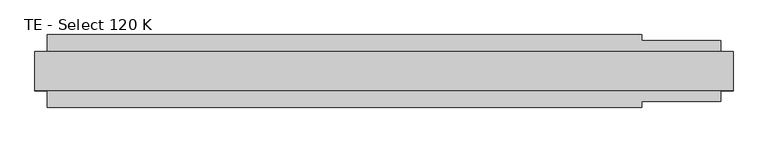
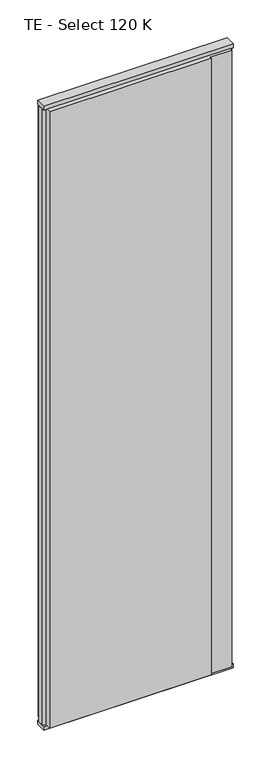
"""IFC4 building model written with IfcOpenShell, lengths in millimetres: plate geometry, TE - Select 120 K."""

from ifc_helpers import new_model, si_unit, frame, origin, origin_with_axes, place, context, project, spatial, polyline, outline, extrude, source, transform, mapped, element, save


def te_select_120_k_36ab9669(model_context):
    return source(origin(), model_context, "Body", "SweptSolid", [
        extrude(outline(polyline([(424.5833333, 60.0), (424.5833333, 50.0), (554.5833333, 50.0), (554.5833333, 22.9993165), (574.5833333, 17.6401049), (574.5833333, -17.6401049), (554.5833333, -22.9993165), (554.5833333, -50.0), (424.5833333, -50.0), (424.5833333, -60.0), (-554.5833333, -60.0), (-554.5833333, -22.9993165), (-574.5833333, -17.6401049), (-574.5833333, 17.6401049), (-554.5833333, 22.9993165), (-554.5833333, 60.0), (424.5833333, 60.0)])), frame((0.0, 0.0, 25.0), z_axis=(0.0, 0.0, 1.0), x_axis=(1.0, 0.0, 0.0)), (0.0, 0.0, 1.0), 3950.0),
        extrude(outline(polyline([(574.5833333, 32.0), (574.5833333, -32.0), (-574.5833333, -32.0), (-574.5833333, 32.0), (574.5833333, 32.0)])), origin_with_axes(), (0.0, 0.0, 1.0), 25.0),
        extrude(outline(polyline([(574.5833333, 32.0), (574.5833333, -32.0), (-574.5833333, -32.0), (-574.5833333, 32.0), (574.5833333, 32.0)])), frame((0.0, 0.0, 3975.0), z_axis=(0.0, 0.0, 1.0), x_axis=(1.0, 0.0, 0.0)), (0.0, 0.0, 1.0), 25.0),
    ])


if __name__ == "__main__":
    model = new_model("IFC4")
    model_context = context("Model", 3, world=origin())
    ifc_project = project(units=[si_unit("LENGTHUNIT", "METRE", prefix="MILLI")], contexts=[model_context])
    site = spatial("IfcSite", under=ifc_project)
    building = spatial("IfcBuilding", under=site)
    placement = place(None, origin())
    te_select_120_k_shape = te_select_120_k_36ab9669(model_context)
    element("IfcPlate", 1, ObjectType="TE - Select 120 K", at=placement, inside=building, context=model_context, shape_type="MappedRepresentation", body=[
        mapped(te_select_120_k_shape, transform((0.0, 0.0, 0.0), x_axis=(1.0, 0.0, 0.0), y_axis=(0.0, 1.0, 0.0), z_axis=(0.0, 0.0, 1.0))),
    ])
    save(model, "model.ifc")
